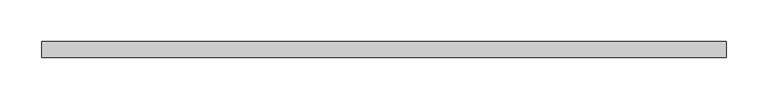
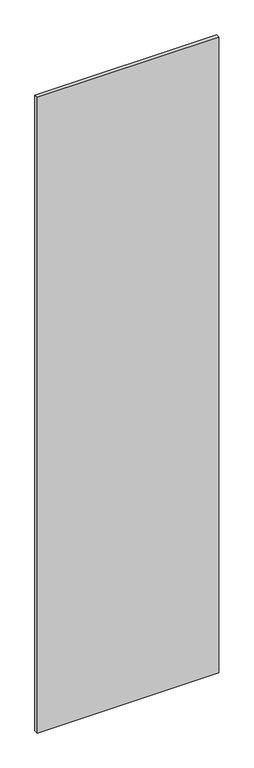
"""IFC4 building model written with IfcOpenShell, lengths in millimetres: proxy geometry."""

from ifc_helpers import new_model, si_unit, frame, origin, place, context, project, spatial, polyline, outline, extrude, source, transform, mapped, element, save


def specialty_equipment_0788de8b(model_context):
    return source(origin(), model_context, "Body", "SweptSolid", [
        extrude(outline(polyline([(407.1956806, 9.525), (407.1956806, -9.525), (-407.1956806, -9.525), (-407.1956806, 9.525), (407.1956806, 9.525)])), frame((0.0, 0.0, 3.175), z_axis=(0.0, 0.0, 1.0), x_axis=(1.0, 0.0, 0.0)), (0.0, 0.0, 1.0), 3013.075),
    ])


if __name__ == "__main__":
    model = new_model("IFC4")
    model_context = context("Model", 3, world=origin())
    ifc_project = project(units=[si_unit("LENGTHUNIT", "METRE", prefix="MILLI")], contexts=[model_context])
    site = spatial("IfcSite", under=ifc_project)
    building = spatial("IfcBuilding", under=site)
    placement = place(None, origin())
    specialty_equipment_shape = specialty_equipment_0788de8b(model_context)
    element("IfcBuildingElementProxy", 1, Name="Specialty Equipment", at=placement, inside=building, context=model_context, shape_type="MappedRepresentation", body=[
        mapped(specialty_equipment_shape, transform((0.0, 0.0, 0.0), x_axis=(1.0, 0.0, 0.0), y_axis=(0.0, 1.0, 0.0), z_axis=(0.0, 0.0, 1.0))),
    ])
    save(model, "model.ifc")
